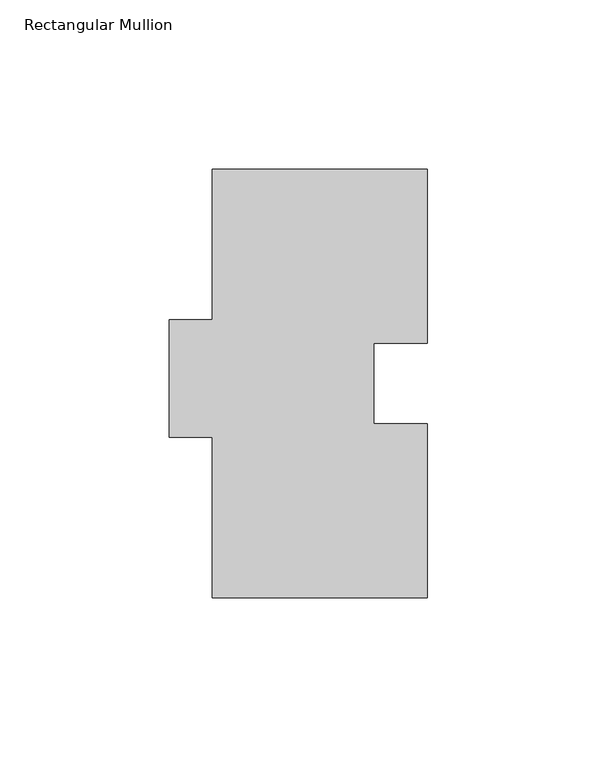
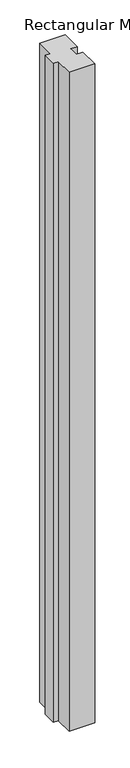
"""IFC4 building model written with IfcOpenShell, lengths in millimetres: member geometry, Rectangular Mullion."""

from ifc_helpers import new_model, si_unit, frame, origin, place, context, project, spatial, polyline, outline, extrude, source, transform, mapped, element, save


def rectangular_mullion_405a1ae0(model_context):
    return source(origin(), model_context, "Body", "SweptSolid", [
        extrude(outline(polyline([(-63.5, 126.7023438), (0.0, 126.7023438), (0.0, 75.3562438), (-15.875, 75.3562438), (-15.875, 51.5564438), (0.0, 51.5564438), (0.0, 0.2103438), (-63.5, 0.2103438), (-63.5, 47.5813438), (-76.2, 47.5813438), (-76.2, 82.2523438), (-63.5, 82.2523438), (-63.5, 126.7023438)])), frame((0.0, 0.0, -1739.9), z_axis=(0.0, 0.0, 1.0), x_axis=(1.0, 0.0, 0.0)), (0.0, 0.0, 1.0), 1739.9),
    ])


if __name__ == "__main__":
    model = new_model("IFC4")
    model_context = context("Model", 3, world=origin())
    ifc_project = project(units=[si_unit("LENGTHUNIT", "METRE", prefix="MILLI")], contexts=[model_context])
    site = spatial("IfcSite", under=ifc_project)
    building = spatial("IfcBuilding", under=site)
    placement = place(None, origin())
    rectangular_mullion_shape = rectangular_mullion_405a1ae0(model_context)
    element("IfcMember", 1, ObjectType="Rectangular Mullion", at=placement, inside=building, context=model_context, shape_type="MappedRepresentation", body=[
        mapped(rectangular_mullion_shape, transform((0.0, 0.0, 0.0), x_axis=(1.0, 0.0, 0.0), y_axis=(0.0, 1.0, 0.0), z_axis=(0.0, 0.0, 1.0))),
    ])
    save(model, "model.ifc")
